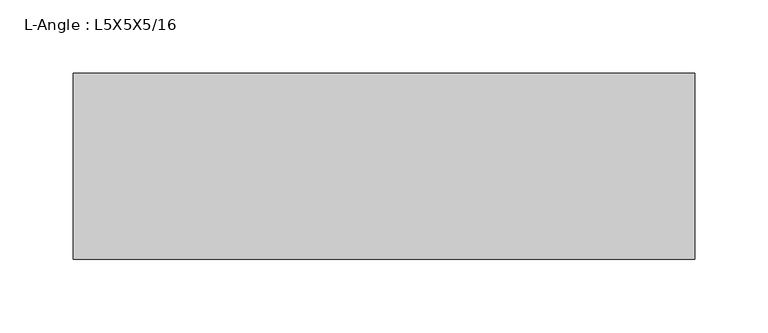
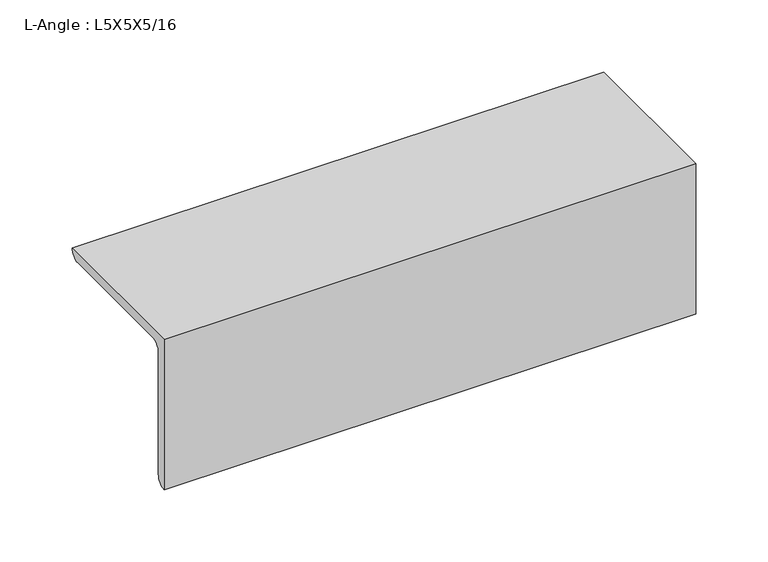
"""IFC4 building model written with IfcOpenShell, lengths in millimetres: beam geometry, L-Angle : L5X5X5/16."""

import ifcopenshell
import ifcopenshell.guid

model = None  # the IFC model being written
_history = None  # IfcOwnerHistory: only IFC2X3 demands one
_inside = {}  # id of a spatial element -> (the spatial element, [elements in it])
_under = {}  # id of a project, library or spatial element -> (it, [spatial elements below it])
_declared = {}  # id of a project -> (the project, [libraries it declares])
_typed = {}  # id of a type object -> (the type object, [elements of that type])
_made_of = {}  # id of a material, layer set ... -> (it, [elements and type objects made of it])


def new_model(schema):
    """Start an empty IFC model of exactly this schema.

    Asked for "IFC4X3", IfcOpenShell would pick the latest addendum, in which some entities
    have other attributes; the version numbers below select the first issue.
    IFC2X3 requires an IfcOwnerHistory on every rooted entity: one is made here for all.
    """
    global model, _history
    if schema == "IFC4X3":
        model = ifcopenshell.file(schema_version=(4, 3, 0, 0))
    else:
        model = ifcopenshell.file(schema=schema)
    _inside.clear()
    _under.clear()
    _declared.clear()
    _typed.clear()
    _made_of.clear()
    _history = None
    if model.schema == "IFC2X3":
        org = make("IfcOrganization", Name="unknown")
        user = make(
            "IfcPersonAndOrganization",
            ThePerson=make("IfcPerson", FamilyName="unknown"),
            TheOrganization=org,
        )
        app = make(
            "IfcApplication",
            ApplicationDeveloper=org,
            Version="unknown",
            ApplicationFullName="unknown",
            ApplicationIdentifier="unknown",
        )
        _history = make(
            "IfcOwnerHistory",
            OwningUser=user,
            OwningApplication=app,
            ChangeAction="ADDED",
            CreationDate=0,
        )
    return model


def make(cls, **values):
    """One entity of the class cls with the attributes given. An attribute that is None is left unset."""
    return model.create_entity(
        cls, **{name: value for name, value in values.items() if value is not None}
    )


def rooted(cls, **values):
    """An entity with a GlobalId (a new one), such as an element, a storey or a relation."""
    return make(cls, GlobalId=ifcopenshell.guid.new(), OwnerHistory=_history, **values)


def si_unit(unit_type, name, prefix=None):
    """IfcSIUnit, for example si_unit("LENGTHUNIT", "METRE", prefix="MILLI")."""
    return make("IfcSIUnit", UnitType=unit_type, Prefix=prefix, Name=name)


def assignment(units):
    """IfcUnitAssignment: the units of a project."""
    return None if units is None else make("IfcUnitAssignment", Units=units)


def point(xyz):
    """IfcCartesianPoint."""
    return None if xyz is None else make("IfcCartesianPoint", Coordinates=xyz)


def direction(xyz):
    """IfcDirection."""
    return None if xyz is None else make("IfcDirection", DirectionRatios=xyz)


def frame(location, z_axis=None, x_axis=None):
    """IfcAxis2Placement3D, a coordinate frame: its origin and axes. An axis left out is left unset."""
    return make(
        "IfcAxis2Placement3D",
        Location=point(location),
        Axis=direction(z_axis),
        RefDirection=direction(x_axis),
    )


def frame_2d(location, x_axis=None):
    """IfcAxis2Placement2D, a coordinate frame in the plane: its origin and x axis."""
    return make(
        "IfcAxis2Placement2D", Location=point(location), RefDirection=direction(x_axis)
    )


def origin():
    """The frame at (0, 0, 0) with its axes left unset."""
    return frame((0.0, 0.0, 0.0))


def place(relative_to, where):
    """IfcLocalPlacement: puts the frame where relative to a parent placement (None: the world)."""
    return make(
        "IfcLocalPlacement", PlacementRelTo=relative_to, RelativePlacement=where
    )


def context(
    kind, dimensions, precision=None, world=None, true_north=None, identifier=None
):
    """IfcGeometricRepresentationContext, for example the 3D "Model" context."""
    return make(
        "IfcGeometricRepresentationContext",
        ContextIdentifier=identifier,
        ContextType=kind,
        CoordinateSpaceDimension=dimensions,
        Precision=precision,
        WorldCoordinateSystem=world,
        TrueNorth=true_north,
    )


def project(units=None, contexts=None):
    """IfcProject with its units and contexts."""
    return rooted(
        "IfcProject",
        Name="project",
        RepresentationContexts=contexts,
        UnitsInContext=assignment(units),
    )


def spatial(cls, under=None, at=None, **own):
    """A site, building, storey or space (cls), placed at a placement, below another one or the project."""
    s = rooted(cls, ObjectPlacement=at, **own)
    if under is not None:
        _under.setdefault(under.id(), (under, []))[1].append(s)
    return s


def polyline(points):
    """IfcPolyline through the points."""
    return make("IfcPolyline", Points=[point(p) for p in points])


def circle_curve(where, radius):
    """IfcCircle in the frame where."""
    return make("IfcCircle", Position=where, Radius=radius)


def trimmed(basis, trim1, trim2, sense, master):
    """IfcTrimmedCurve: the piece of a basis curve between two trims."""
    return make(
        "IfcTrimmedCurve",
        BasisCurve=basis,
        Trim1=trim1,
        Trim2=trim2,
        SenseAgreement=sense,
        MasterRepresentation=master,
    )


def segment(curve, same_sense, transition):
    """IfcCompositeCurveSegment."""
    return make(
        "IfcCompositeCurveSegment",
        Transition=transition,
        SameSense=same_sense,
        ParentCurve=curve,
    )


def composite_curve(segments, self_intersect=None):
    """IfcCompositeCurve: segments joined end to end."""
    return make("IfcCompositeCurve", Segments=segments, SelfIntersect=self_intersect)


def outline(outer, holes=None, kind="AREA"):
    """IfcArbitraryClosedProfileDef: a profile drawn as a closed curve; with holes, ...WithVoids."""
    if holes is None:
        return make("IfcArbitraryClosedProfileDef", ProfileType=kind, OuterCurve=outer)
    return make(
        "IfcArbitraryProfileDefWithVoids",
        ProfileType=kind,
        OuterCurve=outer,
        InnerCurves=holes,
    )


def extrude(swept, where, along, depth):
    """IfcExtrudedAreaSolid: the profile swept, set in the frame where, extruded along a direction by depth."""
    return make(
        "IfcExtrudedAreaSolid",
        SweptArea=swept,
        Position=where,
        ExtrudedDirection=direction(along),
        Depth=depth,
    )


def shape(context_of_items, identifier, shape_type, items):
    """IfcShapeRepresentation: the items that make up one representation, for example the "Body"."""
    return make(
        "IfcShapeRepresentation",
        ContextOfItems=context_of_items,
        RepresentationIdentifier=identifier,
        RepresentationType=shape_type,
        Items=items,
    )


def source(mapping_origin, context_of_items, identifier, shape_type, items):
    """IfcRepresentationMap: a shape defined once, which mapped items show again and again."""
    return make(
        "IfcRepresentationMap",
        MappingOrigin=mapping_origin,
        MappedRepresentation=shape(context_of_items, identifier, shape_type, items),
    )


def transform(
    local_origin,
    x_axis=None,
    y_axis=None,
    z_axis=None,
    scale=None,
    scale2=None,
    scale3=None,
    uniform=True,
):
    """IfcCartesianTransformationOperator3D, or its non-uniform kind. x_axis, y_axis, z_axis: its Axis1, 2, 3."""
    if uniform:
        return make(
            "IfcCartesianTransformationOperator3D",
            Axis1=direction(x_axis),
            Axis2=direction(y_axis),
            LocalOrigin=point(local_origin),
            Scale=scale,
            Axis3=direction(z_axis),
        )
    return make(
        "IfcCartesianTransformationOperator3DnonUniform",
        Axis1=direction(x_axis),
        Axis2=direction(y_axis),
        LocalOrigin=point(local_origin),
        Scale=scale,
        Axis3=direction(z_axis),
        Scale2=scale2,
        Scale3=scale3,
    )


def mapped(mapping_source, mapping_target):
    """IfcMappedItem: shows the shape of a source again, moved by a transform."""
    return make(
        "IfcMappedItem", MappingSource=mapping_source, MappingTarget=mapping_target
    )


def made_of(thing, what):
    """Note that an element or type object is made of a material, layer set ...; save() writes the relation."""
    if what is not None:
        _made_of.setdefault(what.id(), (what, []))[1].append(thing)
    return thing


def element(
    cls,
    number,
    at=None,
    inside=None,
    cuts=None,
    type_object=None,
    material=None,
    context=None,
    identifier="Body",
    shape_type=None,
    held_by="IfcProductDefinitionShape",
    body=None,
    shapes=None,
    **own,
):
    """One element of the class cls, such as IfcWall. Its Tag is "e" and its number.

    at: its placement. inside: the storey or other place that contains it. cuts: it is an
    opening in that element (IfcRelVoidsElement). A single representation is given by context,
    identifier, shape_type and body (its items); several are given by shapes. held_by: the class
    of the entity that holds the representations. save() writes the other relations.
    """
    e = rooted(cls, Tag="e%d" % number, ObjectPlacement=at, **own)
    if body is not None:
        shapes = [shape(context, identifier, shape_type, body)]
    if shapes is not None:
        e.Representation = make(held_by, Representations=shapes)
    if inside is not None:
        _inside.setdefault(inside.id(), (inside, []))[1].append(e)
    if cuts is not None:
        rooted(
            "IfcRelVoidsElement", RelatingBuildingElement=cuts, RelatedOpeningElement=e
        )
    if type_object is not None:
        _typed.setdefault(type_object.id(), (type_object, []))[1].append(e)
    return made_of(e, material)


def aggregate(whole, parts):
    """IfcRelAggregates: a whole, such as a stair, and the parts it consists of."""
    return rooted("IfcRelAggregates", RelatingObject=whole, RelatedObjects=parts)


def save(model, path):
    """Write the relations noted so far, then the file.

    IfcRelAggregates (storeys below a building ...), IfcRelContainedInSpatialStructure (elements
    in a storey), IfcRelDefinesByType, IfcRelAssociatesMaterial and IfcRelDeclares: one each for
    every whole, place, type object, material and project.
    """
    for whole, parts in _under.values():
        aggregate(whole, parts)
    for where, things in _inside.values():
        rooted(
            "IfcRelContainedInSpatialStructure",
            RelatedElements=things,
            RelatingStructure=where,
        )
    for kind, things in _typed.values():
        rooted("IfcRelDefinesByType", RelatedObjects=things, RelatingType=kind)
    for what, things in _made_of.values():
        rooted("IfcRelAssociatesMaterial", RelatedObjects=things, RelatingMaterial=what)
    for by, libraries in _declared.values():
        rooted("IfcRelDeclares", RelatingContext=by, RelatedDefinitions=libraries)
    model.write(path)


def l_angle_l5x5x5_16_06ab4568(model_context):
    return source(origin(), model_context, "Body", "SweptSolid", [
        extrude(outline(composite_curve([segment(polyline([(-34.3296875, 34.3296875), (92.6703125, 34.3296875)]), True, "CONTINUOUS"), segment(trimmed(circle_curve(frame_2d((84.7328125, 34.3296875)), 7.9375), [point((92.6703125, 34.3296875))], [point((84.7328125, 26.3921875))], False, "CARTESIAN"), True, "CONTINUOUS"), segment(polyline([(84.7328125, 26.3921875), (-18.4546875, 26.3921875)]), True, "CONTINUOUS"), segment(trimmed(circle_curve(frame_2d((-18.4546875, 18.4546875)), 7.9375), [point((-18.4546875, 26.3921875))], [point((-26.3921875, 18.4546875))], True, "CARTESIAN"), True, "CONTINUOUS"), segment(polyline([(-26.3921875, 18.4546875), (-26.3921875, -84.7328125)]), True, "CONTINUOUS"), segment(trimmed(circle_curve(frame_2d((-34.3296875, -84.7328125)), 7.9375), [point((-26.3921875, -84.7328125))], [point((-34.3296875, -92.6703125))], False, "CARTESIAN"), True, "CONTINUOUS"), segment(polyline([(-34.3296875, -92.6703125), (-34.3296875, 34.3296875)]), True, "CONTINUOUS")], self_intersect=False)), frame((-212.1296875, 0.0, 0.0), z_axis=(1.0, 0.0, 0.0), x_axis=(0.0, 1.0, 0.0)), (0.0, 0.0, 1.0), 424.259375),
    ])


if __name__ == "__main__":
    model = new_model("IFC4")
    model_context = context("Model", 3, world=origin())
    ifc_project = project(units=[si_unit("LENGTHUNIT", "METRE", prefix="MILLI")], contexts=[model_context])
    site = spatial("IfcSite", under=ifc_project)
    building = spatial("IfcBuilding", under=site)
    placement = place(None, origin())
    l_angle_l5x5x5_16_shape = l_angle_l5x5x5_16_06ab4568(model_context)
    element("IfcBeam", 1, ObjectType="L-Angle : L5X5X5/16", at=placement, inside=building, context=model_context, shape_type="MappedRepresentation", body=[
        mapped(l_angle_l5x5x5_16_shape, transform((0.0, 0.0, 0.0), x_axis=(1.0, 0.0, 0.0), y_axis=(0.0, 1.0, 0.0), z_axis=(0.0, 0.0, 1.0))),
    ])
    save(model, "model.ifc")
